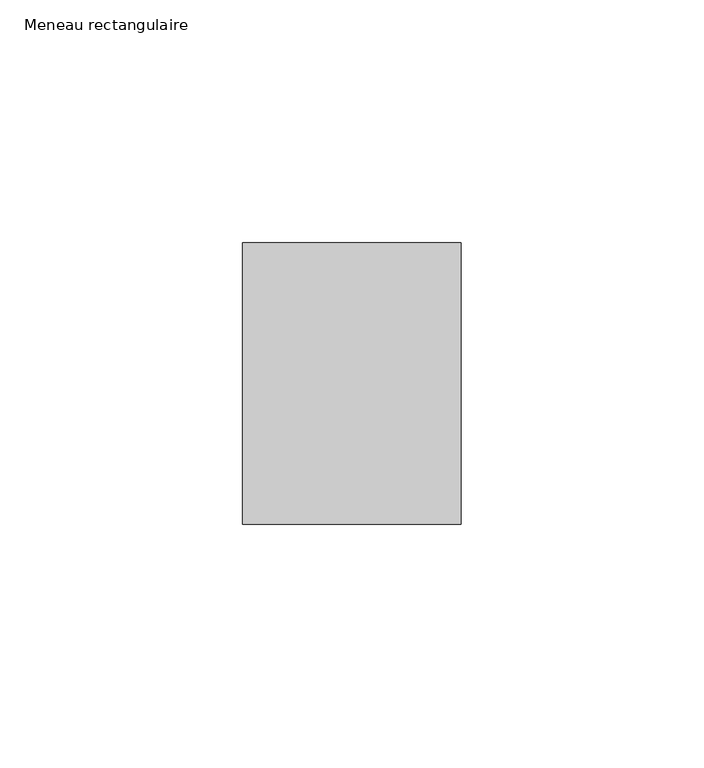
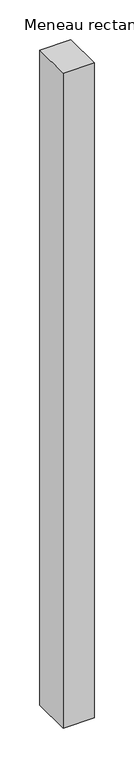
"""IFC4 building model written with IfcOpenShell, lengths in millimetres: member geometry, Meneau rectangulaire."""

from ifc_helpers import new_model, si_unit, frame, origin, place, context, project, spatial, polyline, outline, extrude, source, transform, mapped, element, save


def meneau_rectangulaire_6f754832(model_context):
    return source(origin(), model_context, "Body", "SweptSolid", [
        extrude(outline(polyline([(0.0, 29.0), (0.0, -29.0), (-45.0, -29.0), (-45.0, 29.0), (0.0, 29.0)])), frame((0.0, 0.0, -1002.5497353), z_axis=(0.0, 0.0, 1.0), x_axis=(1.0, 0.0, 0.0)), (0.0, 0.0, 1.0), 1002.5497353),
    ])


if __name__ == "__main__":
    model = new_model("IFC4")
    model_context = context("Model", 3, world=origin())
    ifc_project = project(units=[si_unit("LENGTHUNIT", "METRE", prefix="MILLI")], contexts=[model_context])
    site = spatial("IfcSite", under=ifc_project)
    building = spatial("IfcBuilding", under=site)
    placement = place(None, origin())
    meneau_rectangulaire_shape = meneau_rectangulaire_6f754832(model_context)
    element("IfcMember", 1, ObjectType="Meneau rectangulaire", at=placement, inside=building, context=model_context, shape_type="MappedRepresentation", body=[
        mapped(meneau_rectangulaire_shape, transform((0.0, 0.0, 0.0), x_axis=(1.0, 0.0, 0.0), y_axis=(0.0, 1.0, 0.0), z_axis=(0.0, 0.0, 1.0))),
    ])
    save(model, "model.ifc")
